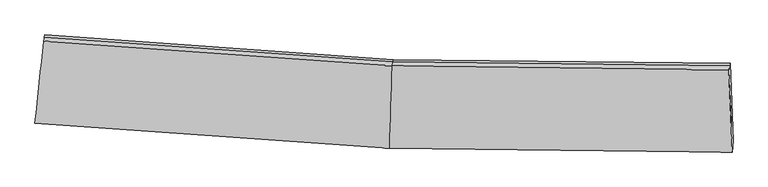
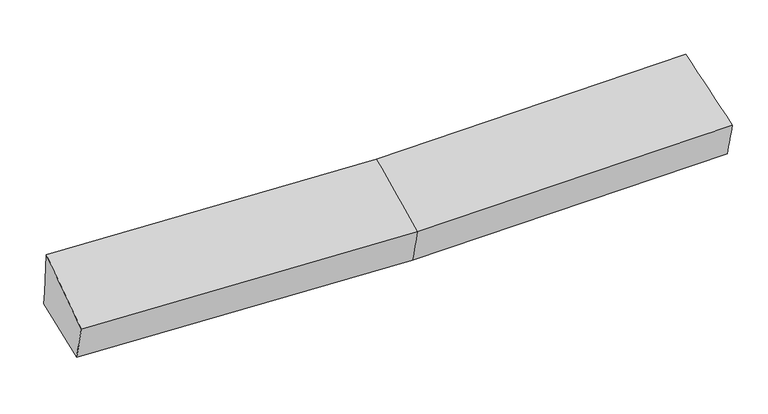
"""IFC4 building model written with IfcOpenShell, lengths in millimetres: proxy geometry."""

from ifc_helpers import new_model, si_unit, frame, origin, place, context, project, spatial, source, transform, mapped, element, save
from ifc_brep_helpers import plane_surface, spline_surface, advanced_brep


def generic_models_30b1ccb9(model_context):
    return source(origin(), model_context, "Body", "AdvancedBrep", [
        advanced_brep(
        [(-3252.762504, -1915.5076469, 2055.1830917), (-3238.9494821, -1809.6430963, 1686.0463181), (17.7936908, -2039.8635893, 1723.7135986), (7.2936831, -2145.9741496, 2092.8888403), (-3161.8300743, -1103.1674328, 1801.5657273), (43.2032338, -1329.5481807, 1838.6325935), (-3165.0859811, -1125.4071659, 1939.7496386), (39.947327, -1351.7879138, 1976.8165048), (-3171.4730424, -1160.8345551, 2365.441932), (31.200747, -1387.0400956, 2402.4814014), (3145.1360331, -1386.7474544, 2029.1577221), (3134.1034135, -1421.990057, 2454.7702964), (3165.7917709, -2181.1570734, 2146.4501881), (3173.0819369, -2075.0330628, 1777.2014804), (3148.3919399, -1364.5077213, 1890.9738108)],
        [
            (0, 1),
            (1, 2),
            (2, 3),
            (3, 0),
            (1, 4),
            (4, 5),
            (5, 1),
            (4, 6),
            (6, 7),
            (7, 5),
            (6, 8),
            (8, 9),
            (9, 7),
            (8, 0),
            (3, 9),
            (10, 11),
            (11, 12),
            (12, 13),
            (13, 14),
            (14, 10),
            (5, 2),
            (9, 11),
            (10, 7),
            (3, 12),
            (2, 13),
            (5, 14),
        ],
        [
            spline_surface(1, 1, [[(-3252.762504, -1915.5076469, 2055.1830917), (7.2936831, -2145.9741496, 2092.8888403)], [(-3238.9494821, -1809.6430963, 1686.0463181), (17.7936908, -2039.8635893, 1723.7135986)]], [2, 2], [2, 2], [0.0, 1.0], [0.0, 1.0]),
            plane_surface(frame((-3200.3897782, -1456.4052646, 1743.8060227), z_axis=(0.02264041255430372, 0.15892304362345294, -0.9870313459687231), x_axis=(0.10711028850477025, 0.9812161992527756, 0.160443623807125))),
            plane_surface(frame((-3163.4580277, -1114.2872994, 1870.6576829), z_axis=(0.06770625029401198, 0.9847779256245394, 0.1600884158012504), x_axis=(-0.023256477042895476, -0.1588552362947268, 0.9870279378909697))),
            spline_surface(1, 1, [[(-3165.0859811, -1125.4071659, 1939.7496386), (39.947327, -1351.7879138, 1976.8165048)], [(-3171.4730424, -1160.8345551, 2365.441932), (31.200747, -1387.0400956, 2402.4814014)]], [2, 2], [2, 2], [0.0, 1.0], [0.0, 1.0]),
            spline_surface(1, 1, [[(-3171.4730424, -1160.8345551, 2365.441932), (31.200747, -1387.0400956, 2402.4814014)], [(-3252.762504, -1915.5076469, 2055.1830917), (7.2936831, -2145.9741496, 2092.8888403)]], [2, 2], [2, 2], [0.0, 1.0], [0.0, 1.0]),
            plane_surface(frame((3153.3010189, -1685.8870738, 2059.7106996), z_axis=(0.9991412403485966, 0.03017190717366623, 0.02839784942864163), x_axis=(-0.025824714170172767, -0.08249447258465763, 0.996256867545217))),
            plane_surface(frame((-3198.0202168, -1422.9119794, 1969.5973415), z_axis=(-0.9939751115455462, 0.10945220064351999, -0.005804601821817905), x_axis=(0.09913348971851219, 0.9203330387417149, 0.37836443941875775))),
            plane_surface(frame((-3238.9494821, -1809.6430963, 1686.0463181), z_axis=(0.022647221747447134, 0.15887871145924323, -0.987038326708833), x_axis=(0.03529103192833738, 0.9865491786576392, 0.15960971510334357))),
            spline_surface(1, 1, [[(39.947327, -1351.7879138, 1976.8165048), (3145.1360331, -1386.7474544, 2029.1577221)], [(31.200747, -1387.0400956, 2402.4814014), (3134.1034135, -1421.990057, 2454.7702964)]], [2, 2], [2, 2], [0.0, 1.0], [0.0, 1.0]),
            spline_surface(1, 1, [[(31.200747, -1387.0400956, 2402.4814014), (3134.1034135, -1421.990057, 2454.7702964)], [(7.2936831, -2145.9741496, 2092.8888403), (3165.7917709, -2181.1570734, 2146.4501881)]], [2, 2], [2, 2], [0.0, 1.0], [0.0, 1.0]),
            spline_surface(1, 1, [[(7.2936831, -2145.9741496, 2092.8888403), (3165.7917709, -2181.1570734, 2146.4501881)], [(17.7936908, -2039.8635893, 1723.7135986), (3173.0819369, -2075.0330628, 1777.2014804)]], [2, 2], [2, 2], [0.0, 1.0], [0.0, 1.0]),
            spline_surface(1, 1, [[(17.7936908, -2039.8635893, 1723.7135986), (3173.0819369, -2075.0330628, 1777.2014804)], [(43.2032338, -1329.5481807, 1838.6325935), (3148.3919399, -1364.5077213, 1890.9738108)]], [2, 2], [2, 2], [0.0, 1.0], [0.0, 1.0]),
            plane_surface(frame((41.5752804, -1340.6680472, 1907.7245492), z_axis=(0.00843307627211775, 0.9872286716520089, 0.159086244197287), x_axis=(-0.02325647704271057, -0.15885523629466466, 0.987027937890984))),
        ],
        [
            (0, [[1, 2, 3, 4]]),
            (1, [[5, 6, 7]]),
            (2, [[8, 9, 10, -6]]),
            (3, [[11, 12, 13, -9]]),
            (4, [[14, -4, 15, -12]]),
            (5, [[16, 17, 18, 19, 20]]),
            (6, [[-14, -11, -8, -5, -1]]),
            (7, [[21, -2, -7]]),
            (8, [[-13, 22, -16, 23]]),
            (9, [[-15, 24, -17, -22]]),
            (10, [[-3, 25, -18, -24]]),
            (11, [[-21, 26, -19, -25]]),
            (12, [[-10, -23, -20, -26]]),
        ],
    ),
    ])


if __name__ == "__main__":
    model = new_model("IFC4")
    model_context = context("Model", 3, world=origin())
    ifc_project = project(units=[si_unit("LENGTHUNIT", "METRE", prefix="MILLI")], contexts=[model_context])
    site = spatial("IfcSite", under=ifc_project)
    building = spatial("IfcBuilding", under=site)
    placement = place(None, origin())
    generic_models_shape = generic_models_30b1ccb9(model_context)
    element("IfcBuildingElementProxy", 1, Name="Generic Models", at=placement, inside=building, context=model_context, shape_type="MappedRepresentation", body=[
        mapped(generic_models_shape, transform((0.0, 0.0, 0.0), x_axis=(1.0, 0.0, 0.0), y_axis=(0.0, 1.0, 0.0), z_axis=(0.0, 0.0, 1.0))),
    ])
    save(model, "model.ifc")
